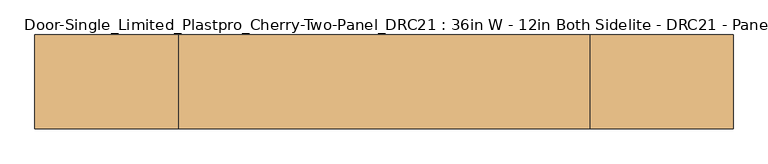
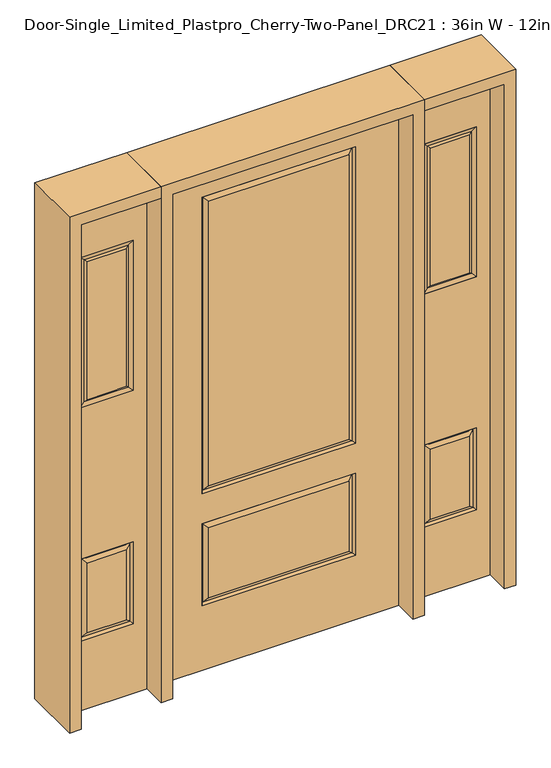
"""IFC4 building model written with IfcOpenShell, lengths in millimetres: door geometry, Door-Single_Limited_Plastpro_Cherry-Two-Panel_DRC21 : 36in W - 12in Both Sidelite - DRC21 - Panel - 80in."""

from ifc_helpers import new_model, si_unit, frame, origin, place, context, project, spatial, polyline, outline, extrude, faceted_brep, source, transform, mapped, element, save


def door_single_limited_plastpro_cherry_two_panel_drc21_36in_w_d5968f25(model_context):
    return source(origin(), model_context, "Body", "SolidModel", [
        faceted_brep([(457.2, 22.225, 0.0), (457.2, -22.225, 0.0), (-457.2, -22.225, 0.0), (-457.2, 22.225, 0.0), (457.2, 22.225, 2032.0), (457.2, -22.225, 2032.0), (-267.49375, -22.225, 284.95625), (267.49375, -22.225, 284.95625), (267.49375, -22.225, 565.94375), (-267.49375, -22.225, 565.94375), (-267.49375, -22.225, 735.80625), (267.49375, -22.225, 735.80625), (267.49375, -22.225, 1880.39375), (-267.49375, -22.225, 1880.39375), (-457.2, -22.225, 2032.0), (292.1, -22.225, 711.2), (-292.1, -22.225, 711.2), (-292.1, -22.225, 1905.0), (292.1, -22.225, 1905.0), (292.1, -22.225, 260.35), (-292.1, -22.225, 260.35), (-292.1, -22.225, 590.55), (292.1, -22.225, 590.55), (-457.2, 22.225, 2032.0), (267.49375, 22.225, 284.95625), (-267.49375, 22.225, 284.95625), (-267.49375, 22.225, 565.94375), (267.49375, 22.225, 565.94375), (267.49375, 22.225, 735.80625), (-267.49375, 22.225, 735.80625), (-267.49375, 22.225, 1880.39375), (267.49375, 22.225, 1880.39375), (-292.1, 22.225, 711.2), (292.1, 22.225, 711.2), (292.1, 22.225, 1905.0), (-292.1, 22.225, 1905.0), (-292.1, 22.225, 260.35), (292.1, 22.225, 260.35), (292.1, 22.225, 590.55), (-292.1, 22.225, 590.55), (-284.9911499, 12.7912373, 267.4588501), (284.9911499, 12.7912373, 267.4588501), (284.9911499, 12.7912373, 583.4411499), (-284.9911499, 12.7912373, 583.4411499), (-284.9911499, 12.7912373, 718.3088501), (284.9911499, 12.7912373, 718.3088501), (284.9911499, 12.7912373, 1897.8911499), (-284.9911499, 12.7912373, 1897.8911499), (284.9911499, -12.7912373, 267.4588501), (-284.9911499, -12.7912373, 267.4588501), (-284.9911499, -12.7912373, 583.4411499), (284.9911499, -12.7912373, 583.4411499), (284.9911499, -12.7912373, 718.3088501), (-284.9911499, -12.7912373, 718.3088501), (-284.9911499, -12.7912373, 1897.8911499), (284.9911499, -12.7912373, 1897.8911499)], [[[0, 1, 2, 3]], [[4, 5, 1, 0]], [[6, 7, 8, 9]], [[10, 11, 12, 13]], [[5, 14, 2, 1], [15, 16, 17, 18], [19, 20, 21, 22]], [[14, 23, 3, 2]], [[24, 25, 26, 27]], [[28, 29, 30, 31]], [[23, 4, 0, 3], [32, 33, 34, 35], [36, 37, 38, 39]], [[36, 40, 41, 37]], [[37, 41, 42, 38]], [[43, 39, 38, 42]], [[40, 36, 39, 43]], [[41, 40, 25, 24]], [[25, 40, 43, 26]], [[26, 43, 42, 27]], [[41, 24, 27, 42]], [[32, 44, 45, 33]], [[33, 45, 46, 34]], [[44, 32, 35, 47]], [[45, 44, 29, 28]], [[29, 44, 47, 30]], [[45, 28, 31, 46]], [[48, 49, 20, 19]], [[20, 49, 50, 21]], [[21, 50, 51, 22]], [[48, 19, 22, 51]], [[49, 48, 7, 6]], [[7, 48, 51, 8]], [[50, 9, 8, 51]], [[49, 6, 9, 50]], [[52, 53, 16, 15]], [[16, 53, 54, 17]], [[52, 15, 18, 55]], [[53, 52, 11, 10]], [[11, 52, 55, 12]], [[53, 10, 13, 54]], [[4, 23, 14, 5]], [[17, 54, 55, 18]], [[54, 13, 12, 55]], [[47, 35, 34, 46]], [[30, 47, 46, 31]]]),
        faceted_brep([(553.72, 20.6375, 1822.45), (553.72, 20.6375, 1219.2), (553.72, -20.6375, 1219.2), (553.72, -20.6375, 1822.45), (579.12, -12.7, 1244.6), (579.12, -12.7, 1797.05), (754.38, 20.6375, 1219.2), (754.38, -20.6375, 1219.2), (579.12, 12.7, 1797.05), (579.12, 12.7, 1244.6), (728.98, 12.7, 1244.6), (728.98, -12.7, 1244.6), (754.38, 20.6375, 1822.45), (754.38, -20.6375, 1822.45), (728.98, 12.7, 1797.05), (728.98, -12.7, 1797.05)], [[[0, 1, 2, 3]], [[3, 2, 4, 5]], [[1, 6, 7, 2]], [[8, 9, 1, 0]], [[9, 10, 6, 1]], [[5, 4, 9, 8]], [[4, 11, 10, 9]], [[2, 7, 11, 4]], [[6, 12, 13, 7]], [[10, 14, 12, 6]], [[11, 15, 14, 10]], [[7, 13, 15, 11]], [[12, 0, 3, 13]], [[14, 8, 0, 12]], [[15, 5, 8, 14]], [[13, 3, 5, 15]]]),
        extrude(outline(polyline([(579.12, -12.7), (579.12, 12.7), (728.98, 12.7), (728.98, -12.7), (579.12, -12.7)])), frame((0.0, 0.0, 1244.6), z_axis=(0.0, 0.0, 1.0), x_axis=(1.0, 0.0, 0.0)), (0.0, 0.0, 1.0), 552.45),
        faceted_brep([(729.77375, -20.6375, 304.00625), (729.77375, -20.6375, 584.99375), (578.32625, -20.6375, 584.99375), (578.32625, -20.6375, 304.00625), (578.32625, 20.6375, 304.00625), (578.32625, 20.6375, 584.99375), (729.77375, 20.6375, 584.99375), (729.77375, 20.6375, 304.00625), (553.72, -20.6375, 279.4), (553.72, -20.6375, 609.6), (553.72, 20.6375, 609.6), (553.72, 20.6375, 279.4), (754.38, 20.6375, 279.4), (754.38, -20.6375, 279.4), (754.38, 20.6375, 609.6), (754.38, -20.6375, 609.6), (560.8288501, 11.2037373, 286.5088501), (747.2711499, 11.2037373, 286.5088501), (747.2711499, 11.2037373, 602.4911499), (560.8288501, 11.2037373, 602.4911499), (560.8288501, -11.2037373, 286.5088501), (747.2711499, -11.2037373, 286.5088501), (747.2711499, -11.2037373, 602.4911499), (560.8288501, -11.2037373, 602.4911499)], [[[0, 1, 2, 3]], [[4, 5, 6, 7]], [[8, 9, 10, 11]], [[11, 12, 13, 8]], [[12, 14, 15, 13]], [[9, 15, 14, 10]], [[12, 11, 16, 17]], [[16, 4, 7, 17]], [[17, 18, 14, 12]], [[7, 6, 18, 17]], [[18, 19, 10, 14]], [[6, 5, 19, 18]], [[11, 10, 19, 16]], [[16, 19, 5, 4]], [[20, 8, 13, 21]], [[21, 0, 3, 20]], [[13, 15, 22, 21]], [[21, 22, 1, 0]], [[15, 9, 23, 22]], [[22, 23, 2, 1]], [[20, 23, 9, 8]], [[3, 2, 23, 20]]]),
        extrude(outline(polyline([(0.0, 806.45), (2032.0, 806.45), (2032.0, 501.65), (0.0, 501.65), (0.0, 806.45)]), holes=[polyline([(279.4, 553.72), (609.6, 553.72), (609.6, 754.38), (279.4, 754.38), (279.4, 553.72)]), polyline([(1822.45, 553.72), (1822.45, 754.38), (1219.2, 754.38), (1219.2, 553.72), (1822.45, 553.72)])]), frame((0.0, -20.6375, 0.0), z_axis=(0.0, 1.0, 0.0), x_axis=(0.0, 0.0, 1.0)), (0.0, 0.0, 1.0), 41.275),
        faceted_brep([(729.77375, -20.6375, 1243.80625), (729.77375, -20.6375, 1797.84375), (578.32625, -20.6375, 1797.84375), (578.32625, -20.6375, 1243.80625), (747.2711499, -11.2037373, 1226.3088501), (560.8288501, -11.2037373, 1226.3088501), (560.8288501, -11.2037373, 1815.3411499), (747.2711499, -11.2037373, 1815.3411499), (578.32625, 20.6375, 1243.80625), (578.32625, 20.6375, 1797.84375), (729.77375, 20.6375, 1797.84375), (729.77375, 20.6375, 1243.80625), (560.8288501, 11.2037373, 1226.3088501), (747.2711499, 11.2037373, 1226.3088501), (747.2711499, 11.2037373, 1815.3411499), (560.8288501, 11.2037373, 1815.3411499), (553.72, -20.6375, 1219.2), (553.72, -20.6375, 1822.45), (553.72, 20.6375, 1822.45), (553.72, 20.6375, 1219.2), (754.38, 20.6375, 1219.2), (754.38, -20.6375, 1219.2), (754.38, 20.6375, 1822.45), (754.38, -20.6375, 1822.45)], [[[0, 1, 2, 3]], [[4, 0, 3, 5]], [[3, 2, 6, 5]], [[4, 7, 1, 0]], [[8, 9, 10, 11]], [[12, 8, 11, 13]], [[11, 10, 14, 13]], [[12, 15, 9, 8]], [[16, 17, 18, 19]], [[19, 20, 21, 16]], [[19, 18, 15, 12]], [[5, 6, 17, 16]], [[5, 16, 21, 4]], [[20, 22, 23, 21]], [[20, 19, 12, 13]], [[21, 23, 7, 4]], [[13, 14, 22, 20]], [[17, 23, 22, 18]], [[14, 15, 18, 22]], [[10, 9, 15, 14]], [[23, 17, 6, 7]], [[7, 6, 2, 1]]]),
        extrude(outline(polyline([(577.85, -12.7), (577.85, 12.7), (730.25, 12.7), (730.25, -12.7), (577.85, -12.7)])), frame((0.0, 0.0, 292.1), z_axis=(0.0, 0.0, 1.0), x_axis=(1.0, 0.0, 0.0)), (0.0, 0.0, 1.0), 1600.2),
        faceted_brep([(-553.72, 20.6375, 1822.45), (-553.72, -20.6375, 1822.45), (-553.72, -20.6375, 1219.2), (-553.72, 20.6375, 1219.2), (-579.12, -12.7, 1797.05), (-579.12, -12.7, 1244.6), (-754.38, -20.6375, 1219.2), (-754.38, 20.6375, 1219.2), (-579.12, 12.7, 1797.05), (-579.12, 12.7, 1244.6), (-728.98, 12.7, 1244.6), (-728.98, -12.7, 1244.6), (-754.38, -20.6375, 1822.45), (-754.38, 20.6375, 1822.45), (-728.98, 12.7, 1797.05), (-728.98, -12.7, 1797.05)], [[[0, 1, 2, 3]], [[1, 4, 5, 2]], [[3, 2, 6, 7]], [[8, 0, 3, 9]], [[9, 3, 7, 10]], [[4, 8, 9, 5]], [[5, 9, 10, 11]], [[2, 5, 11, 6]], [[7, 6, 12, 13]], [[10, 7, 13, 14]], [[11, 10, 14, 15]], [[6, 11, 15, 12]], [[13, 12, 1, 0]], [[14, 13, 0, 8]], [[15, 14, 8, 4]], [[12, 15, 4, 1]]]),
        extrude(outline(polyline([(-579.12, -12.7), (-728.98, -12.7), (-728.98, 12.7), (-579.12, 12.7), (-579.12, -12.7)])), frame((0.0, 0.0, 1244.6), z_axis=(0.0, 0.0, 1.0), x_axis=(1.0, 0.0, 0.0)), (0.0, 0.0, 1.0), 552.45),
        faceted_brep([(-729.77375, -20.6375, 304.00625), (-578.32625, -20.6375, 304.00625), (-578.32625, -20.6375, 584.99375), (-729.77375, -20.6375, 584.99375), (-578.32625, 20.6375, 304.00625), (-729.77375, 20.6375, 304.00625), (-729.77375, 20.6375, 584.99375), (-578.32625, 20.6375, 584.99375), (-553.72, -20.6375, 279.4), (-553.72, 20.6375, 279.4), (-553.72, 20.6375, 609.6), (-553.72, -20.6375, 609.6), (-754.38, -20.6375, 279.4), (-754.38, 20.6375, 279.4), (-754.38, -20.6375, 609.6), (-754.38, 20.6375, 609.6), (-747.2711499, 11.2037373, 286.5088501), (-560.8288501, 11.2037373, 286.5088501), (-747.2711499, 11.2037373, 602.4911499), (-560.8288501, 11.2037373, 602.4911499), (-560.8288501, -11.2037373, 286.5088501), (-747.2711499, -11.2037373, 286.5088501), (-747.2711499, -11.2037373, 602.4911499), (-560.8288501, -11.2037373, 602.4911499)], [[[0, 1, 2, 3]], [[4, 5, 6, 7]], [[8, 9, 10, 11]], [[9, 8, 12, 13]], [[13, 12, 14, 15]], [[11, 10, 15, 14]], [[13, 16, 17, 9]], [[17, 16, 5, 4]], [[16, 13, 15, 18]], [[5, 16, 18, 6]], [[18, 15, 10, 19]], [[6, 18, 19, 7]], [[9, 17, 19, 10]], [[17, 4, 7, 19]], [[20, 21, 12, 8]], [[21, 20, 1, 0]], [[12, 21, 22, 14]], [[21, 0, 3, 22]], [[14, 22, 23, 11]], [[22, 3, 2, 23]], [[20, 8, 11, 23]], [[1, 20, 23, 2]]]),
        extrude(outline(polyline([(0.0, -806.45), (0.0, -501.65), (2032.0, -501.65), (2032.0, -806.45), (0.0, -806.45)]), holes=[polyline([(1822.45, -553.72), (1219.2, -553.72), (1219.2, -754.38), (1822.45, -754.38), (1822.45, -553.72)]), polyline([(279.4, -553.72), (279.4, -754.38), (609.6, -754.38), (609.6, -553.72), (279.4, -553.72)])]), frame((0.0, -20.6375, 0.0), z_axis=(0.0, 1.0, 0.0), x_axis=(0.0, 0.0, 1.0)), (0.0, 0.0, 1.0), 41.275),
        faceted_brep([(-729.77375, -20.6375, 1243.80625), (-578.32625, -20.6375, 1243.80625), (-578.32625, -20.6375, 1797.84375), (-729.77375, -20.6375, 1797.84375), (-747.2711499, -11.2037373, 1226.3088501), (-560.8288501, -11.2037373, 1226.3088501), (-560.8288501, -11.2037373, 1815.3411499), (-747.2711499, -11.2037373, 1815.3411499), (-578.32625, 20.6375, 1243.80625), (-729.77375, 20.6375, 1243.80625), (-729.77375, 20.6375, 1797.84375), (-578.32625, 20.6375, 1797.84375), (-560.8288501, 11.2037373, 1226.3088501), (-747.2711499, 11.2037373, 1226.3088501), (-747.2711499, 11.2037373, 1815.3411499), (-560.8288501, 11.2037373, 1815.3411499), (-553.72, -20.6375, 1219.2), (-553.72, 20.6375, 1219.2), (-553.72, 20.6375, 1822.45), (-553.72, -20.6375, 1822.45), (-754.38, -20.6375, 1219.2), (-754.38, 20.6375, 1219.2), (-754.38, -20.6375, 1822.45), (-754.38, 20.6375, 1822.45)], [[[0, 1, 2, 3]], [[4, 5, 1, 0]], [[1, 5, 6, 2]], [[4, 0, 3, 7]], [[8, 9, 10, 11]], [[12, 13, 9, 8]], [[9, 13, 14, 10]], [[12, 8, 11, 15]], [[16, 17, 18, 19]], [[17, 16, 20, 21]], [[17, 12, 15, 18]], [[5, 16, 19, 6]], [[5, 4, 20, 16]], [[21, 20, 22, 23]], [[21, 13, 12, 17]], [[20, 4, 7, 22]], [[13, 21, 23, 14]], [[19, 18, 23, 22]], [[14, 23, 18, 15]], [[10, 14, 15, 11]], [[22, 7, 6, 19]], [[7, 3, 2, 6]]]),
        extrude(outline(polyline([(-577.85, -12.7), (-730.25, -12.7), (-730.25, 12.7), (-577.85, 12.7), (-577.85, -12.7)])), frame((0.0, 0.0, 292.1), z_axis=(0.0, 0.0, 1.0), x_axis=(1.0, 0.0, 0.0)), (0.0, 0.0, 1.0), 1600.2),
        extrude(outline(polyline([(2032.0, -501.65), (2076.45, -501.65), (2076.45, -850.9), (0.0, -850.9), (0.0, -806.45), (2032.0, -806.45), (2032.0, -501.65)])), frame((0.0, -114.3, 0.0), z_axis=(0.0, 1.0, 0.0), x_axis=(0.0, 0.0, 1.0)), (0.0, 0.0, 1.0), 228.6),
        extrude(outline(polyline([(2076.45, -501.65), (0.0, -501.65), (0.0, -457.2), (2032.0, -457.2), (2032.0, 457.2), (0.0, 457.2), (0.0, 501.65), (2076.45, 501.65), (2076.45, -501.65)])), frame((0.0, -114.3, 0.0), z_axis=(0.0, 1.0, 0.0), x_axis=(0.0, 0.0, 1.0)), (0.0, 0.0, 1.0), 228.6),
        extrude(outline(polyline([(0.0, 806.45), (0.0, 850.9), (2076.45, 850.9), (2076.45, 501.65), (2032.0, 501.65), (2032.0, 806.45), (0.0, 806.45)])), frame((0.0, -114.3, 0.0), z_axis=(0.0, 1.0, 0.0), x_axis=(0.0, 0.0, 1.0)), (0.0, 0.0, 1.0), 228.6),
    ])


if __name__ == "__main__":
    model = new_model("IFC4")
    model_context = context("Model", 3, world=origin())
    ifc_project = project(units=[si_unit("LENGTHUNIT", "METRE", prefix="MILLI")], contexts=[model_context])
    site = spatial("IfcSite", under=ifc_project)
    building = spatial("IfcBuilding", under=site)
    placement = place(None, origin())
    door_single_limited_plastpro_cherry_two_panel_drc21_36in_w_shape = door_single_limited_plastpro_cherry_two_panel_drc21_36in_w_d5968f25(model_context)
    element("IfcDoor", 1, ObjectType="Door-Single_Limited_Plastpro_Cherry-Two-Panel_DRC21 : 36in W - 12in Both Sidelite - DRC21 - Panel - 80in", at=placement, inside=building, context=model_context, shape_type="MappedRepresentation", body=[
        mapped(door_single_limited_plastpro_cherry_two_panel_drc21_36in_w_shape, transform((0.0, 0.0, 0.0), x_axis=(1.0, 0.0, 0.0), y_axis=(0.0, 1.0, 0.0), z_axis=(0.0, 0.0, 1.0))),
    ])
    save(model, "model.ifc")
